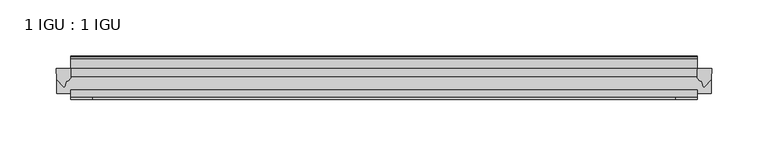
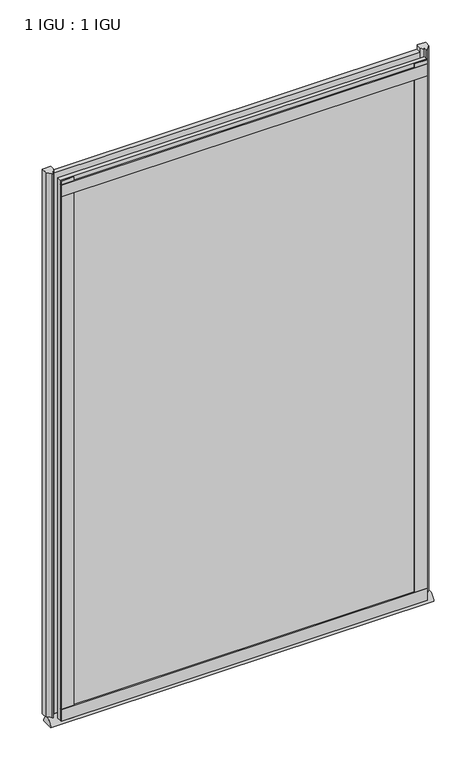
"""IFC4 building model written with IfcOpenShell, lengths in millimetres: plate geometry, 1 IGU : 1 IGU."""

from ifc_helpers import new_model, si_unit, point, frame, frame_2d, origin, place, context, project, spatial, polyline, circle_curve, ellipse_curve, trimmed, segment, composite_curve, outline, extrude, source, transform, mapped, element, save
from ifc_brep_helpers import plane_surface, extruded_surface, advanced_brep


def plate_1_igu_1_igu_895a1b5c(model_context):
    return source(origin(), model_context, "Body", "SolidModel", [
        extrude(outline(polyline([(278.8921925, -11.6085937), (278.8921925, -18.8576359), (-278.8921925, -18.8576359), (-278.8921925, -11.6085937), (278.8921925, -11.6085937)])), frame((0.0, 0.0, -19.05), z_axis=(0.0, 0.0, 1.0), x_axis=(1.0, 0.0, 0.0)), (0.0, 0.0, 1.0), 869.9499998),
        extrude(outline(polyline([(-278.8921925, -30.7093937), (278.8921925, -30.7093937), (278.8921925, -37.0085937), (-278.8921925, -37.0085937), (-278.8921925, -30.7093937)])), frame((0.0, 0.0, -19.05), z_axis=(0.0, 0.0, 1.0), x_axis=(1.0, 0.0, 0.0)), (0.0, 0.0, 1.0), 869.9499998),
        advanced_brep(
        [(291.5921925, -33.6472189, -28.575), (291.5921925, -14.9699686, -28.575), (-291.5921925, -33.6472189, -28.575), (-291.5921925, -14.9699686, -28.575)],
        [
            (0, 1),
            (1, 0, ellipse_curve(frame((291.5921925, -24.3085937, -28.575), z_axis=(1.0, 0.0, 0.0), x_axis=(0.0, 0.0, 1.0)), 10.6973372, 9.3386252)),
            (2, 3, ellipse_curve(frame((-291.5921925, -24.3085937, -28.575), z_axis=(-1.0, 0.0, 0.0), x_axis=(0.0, 0.0, 1.0)), 10.6973372, 9.3386252)),
            (3, 2),
            (0, 2),
            (3, 1),
        ],
        [
            plane_surface(frame((291.5921925, -9.2273438, -28.575), z_axis=(1.0, 0.0, 0.0), x_axis=(0.0, 1.0, 0.0))),
            plane_surface(frame((-291.5921925, -9.2273437, -28.575), z_axis=(-1.0, 0.0, 0.0), x_axis=(0.0, 1.0, 0.0))),
            plane_surface(frame((291.5921925, -33.6472189, -28.575), z_axis=(0.0, 0.0, -1.0), x_axis=(-1.0, 0.0, 0.0))),
            extruded_surface(trimmed(ellipse_curve(frame((-291.5921925, -24.3085937, -28.575), z_axis=(1.0, 0.0, 0.0), x_axis=(0.0, 0.0, 1.0)), 10.6973372, 9.3386252), [point((-291.5921925, -14.9699686, -28.575))], [point((-291.5921925, -33.6472189, -28.575))], True, "CARTESIAN"), (583.184385, 0.0, 0.0), 583.184385),
        ],
        [
            (0, [[1, 2]]),
            (1, [[3, 4]]),
            (2, [[-1, 5, -4, 6]]),
            (3, [[-2, -6, -3, -5]]),
        ],
    ),
        extrude(outline(composite_curve([segment(polyline([(291.9701017, -11.6101465), (291.5921925, -21.3502133), (285.6541393, -27.6095865)]), True, "CONTINUOUS"), segment(trimmed(circle_curve(frame_2d((284.9813332, -27.2518492)), 0.762), [point((285.6541393, -27.6095865))], [point((284.252629, -27.4746364))], False, "CARTESIAN"), True, "CONTINUOUS"), segment(polyline([(284.252629, -27.4746364), (282.9907944, -23.3488397)]), True, "CONTINUOUS"), segment(trimmed(circle_curve(frame_2d((285.1727516, -16.3834724)), 7.2991286), [point((282.9907944, -23.3488397))], [point((278.8923711, -20.1028944))], False, "CARTESIAN"), True, "CONTINUOUS"), segment(polyline([(278.8923711, -20.1028944), (278.8923711, -12.664425)]), True, "CONTINUOUS"), segment(trimmed(circle_curve(frame_2d((285.1736256, -16.3827796)), 7.2993369), [point((278.8923711, -12.664425))], [point((279.6507375, -11.6101465))], False, "CARTESIAN"), True, "CONTINUOUS"), segment(polyline([(279.6507375, -11.6101465), (291.9701017, -11.6101465)]), True, "CONTINUOUS")], self_intersect=False)), frame((0.0, 0.0, -19.05), z_axis=(0.0, 0.0, 1.0), x_axis=(1.0, 0.0, 0.0)), (0.0, 0.0, 1.0), 877.0873998),
        extrude(outline(composite_curve([segment(polyline([(-278.8921925, -11.610702), (-278.8921925, -20.1014769)]), True, "CONTINUOUS"), segment(trimmed(circle_curve(frame_2d((-285.1733869, -16.3829847)), 7.2993552), [point((-278.8921925, -20.1014769))], [point((-282.9911423, -23.3484994))], False, "CARTESIAN"), True, "CONTINUOUS"), segment(polyline([(-282.9911423, -23.3484994), (-284.252629, -27.4746364)]), True, "CONTINUOUS"), segment(trimmed(circle_curve(frame_2d((-284.9813332, -27.2518492)), 0.762), [point((-284.252629, -27.4746364))], [point((-285.6541393, -27.6095865))], False, "CARTESIAN"), True, "CONTINUOUS"), segment(polyline([(-285.6541393, -27.6095865), (-291.5921925, -21.3502133), (-291.9701017, -11.610702), (-278.8921925, -11.610702)]), True, "CONTINUOUS")], self_intersect=False)), frame((0.0, 0.0, -19.05), z_axis=(0.0, 0.0, 1.0), x_axis=(1.0, 0.0, 0.0)), (0.0, 0.0, 1.0), 877.0873998),
        extrude(outline(polyline([(-278.8921925, -39.2945937), (-278.8921925, -37.0085937), (278.8921925, -37.0085937), (278.8921925, -39.2945937), (-278.8921925, -39.2945937)])), frame((0.0, 0.0, -19.05), z_axis=(0.0, 0.0, 1.0), x_axis=(1.0, 0.0, 0.0)), (0.0, 0.0, 1.0), 19.05),
        extrude(outline(composite_curve([segment(polyline([(-3.0995937, 840.8194211), (-3.0995937, 838.7874211), (-5.2585937, 838.7874211), (-5.2585937, 833.4534211), (-1.5755937, 833.4534211), (-1.5755937, 830.4054211), (-5.2585937, 830.4054211), (-5.2585937, 825.5794211), (-0.5298657, 826.2440005), (-0.4061408, 825.3636522)]), True, "CONTINUOUS"), segment(trimmed(circle_curve(frame_2d((-1.4122531, 825.2222523)), 1.016), [point((-0.4061408, 825.3636522))], [point((-1.2708533, 824.21614))], False, "CARTESIAN"), True, "CONTINUOUS"), segment(polyline([(-1.2708533, 824.21614), (-11.6085937, 822.7632653), (-11.6085937, 840.8194211), (-3.0995937, 840.8194211)]), True, "CONTINUOUS")], self_intersect=False)), frame((-278.8921925, 0.0, 0.0), z_axis=(1.0, 0.0, 0.0), x_axis=(0.0, 1.0, 0.0)), (0.0, 0.0, 1.0), 557.7843851),
        extrude(outline(polyline([(-278.8921925, -39.2945937), (-278.8921925, -37.0085937), (278.8921925, -37.0085937), (278.8921925, -39.2945937), (-278.8921925, -39.2945937)])), frame((0.0, 0.0, 825.4999998), z_axis=(0.0, 0.0, 1.0), x_axis=(1.0, 0.0, 0.0)), (0.0, 0.0, 1.0), 19.05),
        extrude(outline(polyline([(259.8421925, -37.0085937), (278.8921925, -37.0085937), (278.8921925, -39.2945938), (259.8421925, -39.2945938), (259.8421925, -37.0085937)])), frame((0.0, 0.0, -19.05), z_axis=(0.0, 0.0, 1.0), x_axis=(1.0, 0.0, 0.0)), (0.0, 0.0, 1.0), 869.9499998),
        extrude(outline(polyline([(-278.8921925, -39.2945937), (-278.8921925, -37.0085937), (-259.8421925, -37.0085937), (-259.8421925, -39.2945937), (-278.8921925, -39.2945937)])), frame((0.0, 0.0, -19.05), z_axis=(0.0, 0.0, 1.0), x_axis=(1.0, 0.0, 0.0)), (0.0, 0.0, 1.0), 869.9499998),
    ])


if __name__ == "__main__":
    model = new_model("IFC4")
    model_context = context("Model", 3, world=origin())
    ifc_project = project(units=[si_unit("LENGTHUNIT", "METRE", prefix="MILLI")], contexts=[model_context])
    site = spatial("IfcSite", under=ifc_project)
    building = spatial("IfcBuilding", under=site)
    placement = place(None, origin())
    plate_1_igu_1_igu_shape = plate_1_igu_1_igu_895a1b5c(model_context)
    element("IfcPlate", 1, ObjectType="1 IGU : 1 IGU", at=placement, inside=building, context=model_context, shape_type="MappedRepresentation", body=[
        mapped(plate_1_igu_1_igu_shape, transform((0.0, 0.0, 0.0), x_axis=(1.0, 0.0, 0.0), y_axis=(0.0, 1.0, 0.0), z_axis=(0.0, 0.0, 1.0))),
    ])
    save(model, "model.ifc")
